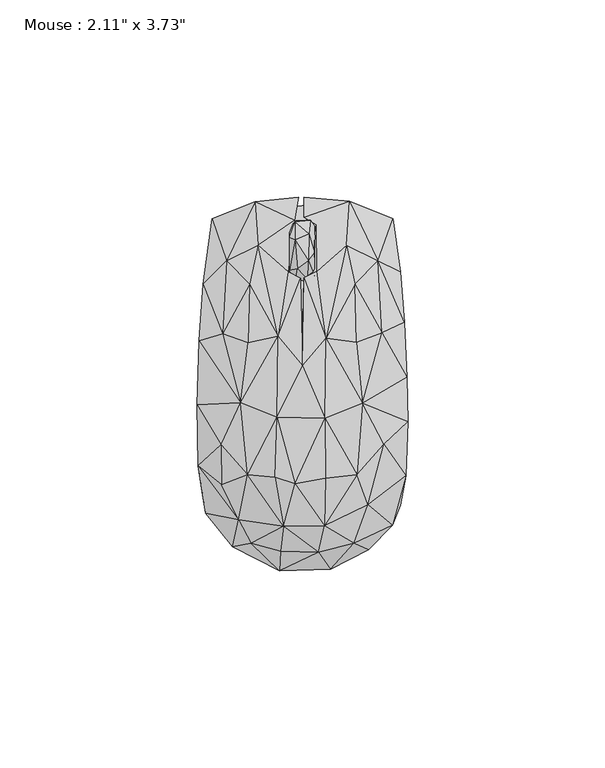
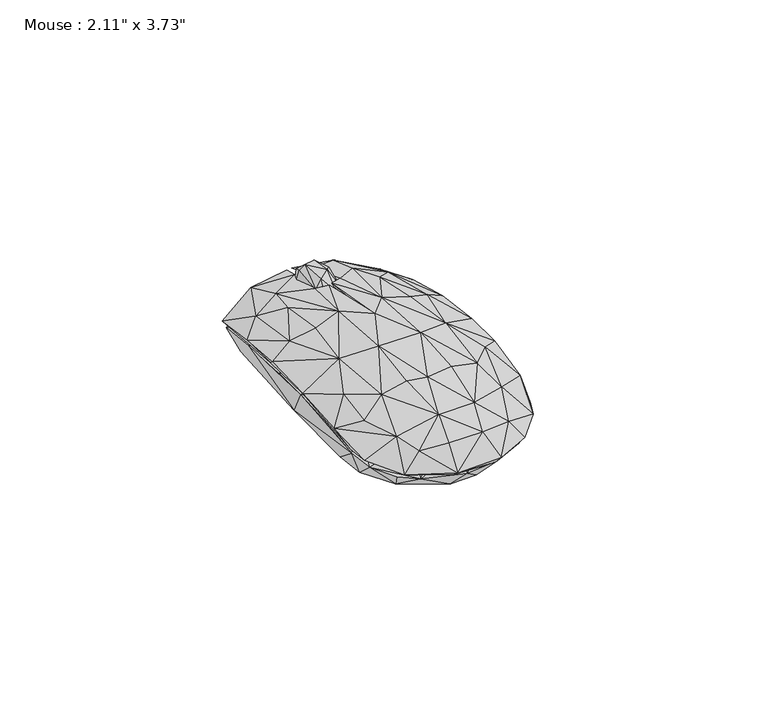
"""IFC4 building model written with IfcOpenShell, lengths in millimetres: furniture geometry."""

from ifc_helpers import new_model, si_unit, origin, place, context, project, spatial, triangles, source, transform, mapped, element, save


def furniture_37622110(model_context):
    return source(origin(), model_context, "Body", "Tessellation", [
        triangles([(-1.7870618, 25.5556985, 15.0905907), (1.4279084, 26.2556989, 17.1901639), (-1.2795767, 29.2699885, 20.2893071), (-3.1870619, 28.7699872, 18.0897343), (2.035393, 41.5199947, 14.9905912), (-1.7870625, 41.1199964, 16.5901631), (1.735393, 38.1057091, 19.6893074), (3.1353935, 27.4628427, 17.4901638), (1.5279082, 31.2771266, 21.0893059), (3.1353933, 33.2842761, 20.0893079), (-3.1870622, 37.2057073, 18.8897343), (-1.8870622, 36.5985587, 20.4893062), (1.5279084, 29.1699855, 6.1931613), (3.2353934, 31.9842782, 6.2931615), (3.0353937, 27.1628428, 9.1923049), (-1.6870618, 26.455698, 8.992304), (-1.687062, 31.4771303, 5.2931618), (-0.0795771, 35.0985594, 5.0931615), (-3.087062, 33.6914164, 6.1931613), (2.235393, 37.705704, 6.3931616), (3.2353931, 39.919997, 12.4914477), (-3.1870619, 26.8556986, 10.3918768), (-3.0870623, 40.0199955, 11.4914475), (-1.6870625, 39.21285, 7.4927334), (1.9353928, 41.1199964, 10.091877), (-1.5870626, 41.4199963, 11.7914485), (2.0353937, 25.4556978, 12.9914479)], [[1, 2, 3], [1, 3, 4], [5, 6, 7], [2, 8, 9], [2, 9, 3], [8, 10, 9], [6, 11, 12], [6, 12, 7], [4, 12, 11], [4, 3, 12], [3, 9, 12], [9, 7, 12], [9, 10, 7], [13, 14, 15], [13, 16, 17], [13, 17, 18], [13, 18, 14], [13, 15, 16], [17, 19, 18], [17, 16, 19], [14, 18, 20], [14, 20, 21], [14, 21, 10], [14, 10, 15], [19, 16, 22], [19, 23, 24], [19, 24, 18], [19, 22, 4], [19, 4, 23], [18, 24, 20], [20, 25, 21], [20, 24, 25], [24, 23, 26], [24, 26, 25], [16, 15, 27], [16, 27, 1], [16, 1, 22], [15, 8, 27], [15, 10, 8], [22, 1, 4], [25, 26, 5], [25, 5, 21], [27, 8, 2], [27, 2, 1], [23, 4, 11], [23, 11, 6], [23, 6, 26], [26, 6, 5], [21, 5, 7], [21, 7, 10]]),
        triangles([(-11.1957862, 35.19296, 15.7576683), (-6.152771, 12.0434873, 22.6493329), (-3.652772, 28.4764686, 18.7493336), (-2.0097595, 41.5259446, 14.4576693), (11.1762675, 35.19296, 15.7576683), (3.6332539, 40.4094521, 14.55767), (3.7332549, 28.5764716, 19.3493345), (6.0332556, 11.6269963, 22.7493336), (-4.7527688, -36.0049335, 19.4493352), (5.6332584, -35.9049328, 19.3493345), (-1.8097559, -25.2719494, 23.3493333), (-6.9527693, -23.6719517, 22.949335), (-13.8957827, -22.9554597, 20.8493338), (5.8332576, -23.8719509, 23.0493335), (13.8762708, -22.9554597, 20.8493338), (-6.3527702, -8.4224771, 24.3493336), (5.7332569, -8.6224769, 24.4493343), (3.5332577, -25.7719507, 21.6493349), (-5.7527693, -23.4554587, 21.849334), (4.6332573, -15.1389674, 23.0493335), (13.7762701, -22.6554599, 19.6493343), (-15.6387983, -4.7059869, 21.5493319), (-13.7957831, -22.6554599, 19.6493343), (-6.0527703, -8.3224776, 23.1493342), (-13.8957838, -5.7059869, 21.0493329), (13.8762697, -5.605985, 21.0493329), (15.2192813, -4.9059846, 21.7493333), (-0.1097576, 6.1269965, 22.7493336), (6.0332561, -1.3059853, 23.0493335), (0.0902426, 4.6105053, 24.1493345), (-6.152771, 11.5269967, 21.4493335), (-13.7957842, 10.4269957, 21.0493329), (-15.0387986, 9.6269957, 19.3493345), (5.9332549, 16.0434884, 20.7493353), (15.5192801, 11.1269984, 18.9493339), (13.7762678, 10.5269976, 21.0493329), (0.3902414, 26.8764709, 19.9493342), (-0.4097586, 26.7764702, 19.6493343), (-6.1527682, -46.2214247, 7.5660052), (-17.7387951, -41.3049325, 8.5660049), (-10.6957816, -40.104933, 13.066005), (0.1902449, -42.7214249, 13.3576705), (5.4332581, -46.4214216, 7.4660045), (-5.7527682, -47.3214257, 8.5660049), (7.1332583, -46.9214229, 8.5660049), (4.1332586, -42.6214219, 14.9576694), (-5.5527685, -42.421425, 14.8576698), (-12.995782, -40.3049345, 13.6576693), (12.8762716, -39.5049333, 12.5660049), (16.8192836, -42.0214222, 8.4660053), (5.7332586, -41.104931, 14.257669), (13.0762719, -40.3049345, 13.6576693), (15.9192829, -33.7884422, 14.6576695), (24.8622997, -30.6884407, 9.4660045), (22.8622991, -35.8049343, 9.7660055), (-16.1387962, -34.3884419, 15.6576687), (-24.4818087, -32.7884397, 10.2660056), (-25.3818083, -27.2719523, 10.5660043), (-15.8387963, -33.7884422, 14.55767), (-5.5527685, -35.3884399, 18.1576682), (4.733258, -35.3884399, 18.2576701), (16.6192822, -30.58844, 17.1576702), (26.2622982, -23.2554573, 12.8660047), (-26.3818086, -20.75546, 13.4576701), (20.1192843, -25.67195, 15.5576691), (-26.6818107, -5.3059874, 14.9576694), (-20.438796, -23.3554626, 15.8576701), (26.5622958, 1.7105066, 15.0576701), (26.762295, -9.6224766, 15.0576701), (20.4192819, -14.438967, 17.5576697), (20.7192795, -15.2389681, 18.6576695), (-25.1818137, 25.2764663, 12.266005), (-26.1818117, 11.0269954, 14.6576695), (-20.2387992, 12.7434866, 17.8576684), (-19.2387989, 31.1929588, 14.0576698), (-22.8818133, 41.8259444, 7.3660049), (-25.7818111, 12.7434866, 13.1576691), (24.8622951, 28.4764709, 11.466005), (25.9622961, 15.643489, 13.9576703), (22.9622953, 41.8259444, 7.3660049), (19.2192802, 31.1929611, 14.0576698), (20.619281, -1.5059848, 17.8576684), (19.0192799, 30.1929631, 13.0576695), (-11.9957874, 46.2259439, 11.166004), (-15.7387979, 44.2259433, 9.2660047), (-19.5387987, 22.3599769, 14.9576694), (-1.0097597, 47.3259449, 11.9660052), (-11.2957858, 34.7929594, 14.55767), (-13.1957845, 24.8764703, 16.95767), (0.4902402, 47.3259449, 12.0660047), (0.4902404, 42.3259457, 14.1576694), (11.9762675, 46.3259423, 11.166004), (11.576267, 45.5259412, 10.2660056), (11.3762678, 34.7929594, 14.55767), (-20.438796, -25.5719516, 16.7576685), (-20.6387975, -15.4389695, 18.6576695), (-20.781812, -6.8224783, 17.8576684), (20.2192805, 13.0434887, 17.8576684), (-13.3957848, 25.2764686, 18.1576682), (13.3762684, 25.2764686, 18.1576682), (0.8902412, 26.476468, 18.7576691), (13.2762688, 24.8764703, 16.95767), (-3.7388584, -39.9733413, 0.003408), (3.991627, -39.7733399, 0.003408), (-2.1388581, -45.7733416, 6.3030804), (-13.6998315, -42.3733447, 6.6030796), (-15.5998313, -33.0558834, 0.003408), (15.6525988, -33.0558834, 0.003408), (7.0221141, -44.973345, 6.4030799), (-20.9303154, -24.0209652, 0.003408), (20.8830844, -24.1209614, 0.003408), (-23.2303158, -33.0558834, 7.8030802), (-18.7998302, -38.9558843, 6.9030801), (15.6525988, -41.2733392, 6.7030804), (23.5830854, -32.5384209, 7.9030804), (-21.9303179, -15.9035044, 0.203408), (-21.6303181, 7.666338, 0.003408), (-25.1303156, -27.4384233, 9.3030801), (21.9830854, -20.2209587, 0.603408), (21.4830841, 9.3663399, 0.003408), (25.4830853, -24.6209604, 10.1030806), (-26.1303182, -3.3685838, 13.102751), (-24.330319, 26.218719, 9.8030796), (-20.3303202, 36.9361789, 0.003408), (7.2221092, 38.3361774, 0.003408), (20.3830831, 36.9361789, 0.003408), (22.2830807, 40.8536382, 5.6034081), (24.2830813, 27.2187238, 9.6030794), (25.483083, 12.3663396, 12.1027519), (-22.2303223, 40.9536412, 5.6034081), (-5.5388624, 38.4361759, 0.003408), (-10.5693494, 44.8536394, 9.2030799), (7.0221095, 45.4536391, 9.8030796), (17.1525958, 43.1536387, 7.6030799), (-18.699834, 30.1187216, 11.9027516), (18.7525958, 30.1187239, 11.9027516), (-3.2388586, -41.9733419, 11.7027513), (-5.8388588, -37.3558844, 15.4027515), (-13.0693444, -35.3558838, 13.9027522), (5.2916277, -41.5733436, 11.802752), (19.1525987, -33.6558808, 10.9030795), (13.0525997, -35.3558838, 13.9027522), (-20.3303179, -22.8209635, 14.6027515), (19.9830849, -22.2209592, 15.002752), (-26.0303198, -14.8035023, 12.3027522), (26.0830827, -11.9860405, 12.602752), (-25.7303199, 8.2663372, 12.602752), (-19.7303182, 12.6663383, 15.6027517), (-8.8693481, 36.2361784, 13.2027506), (0.8916237, 34.5361755, 14.9027513), (12.8221098, 29.7187211, 14.3027516), (6.2916235, 33.1361769, 14.9027513), (1.6916273, -35.7558844, 17.0024244), (6.7221136, -33.7558838, 17.2024236), (-6.2388594, -29.2384224, 19.002425), (-13.4998323, -26.2209626, 17.6024253), (13.5525987, -26.2209626, 17.6024253), (-20.2303195, -9.8860426, 16.80275), (-13.6998326, -14.3035022, 19.6024259), (20.5830846, -5.7685818, 16.7027527), (13.7525978, -14.303501, 19.6024259), (-16.1998333, -0.8685835, 18.6024256), (19.8830841, 9.5663401, 16.0027523), (13.7525978, -2.168582, 19.802425), (-13.0693478, 24.60126, 15.802752), (-13.4998335, 10.1663376, 18.6024256), (13.5525964, 10.1663399, 18.6024256), (-6.1388621, 24.3012601, 17.5024257), (6.7221108, 16.3837974, 19.3024237), (1.6916246, 15.1837968, 20.0024242), (1.6916268, -24.6209626, 20.802423), (6.9221128, -22.9209619, 20.5024232), (-6.2388594, -17.6035017, 21.402425), (6.4916255, -12.0860412, 21.8024256), (1.1916259, -8.8860412, 22.4024253), (-6.0388597, -5.4685831, 22.0024247), (6.9221117, -0.6685822, 21.5024234), (1.6916252, 4.2488799, 21.7024226), (-6.138861, 7.666338, 20.802423)], [[1, 2, 3], [1, 3, 4], [5, 6, 7], [5, 7, 8], [9, 10, 11], [9, 12, 13], [9, 11, 12], [10, 14, 11], [10, 15, 14], [12, 11, 16], [12, 16, 13], [11, 14, 17], [11, 17, 16], [18, 19, 20], [18, 20, 21], [14, 15, 17], [13, 16, 22], [23, 24, 19], [23, 25, 24], [19, 24, 20], [21, 20, 26], [15, 27, 17], [20, 24, 28], [20, 29, 26], [20, 28, 29], [16, 17, 30], [16, 30, 2], [16, 2, 22], [24, 25, 31], [24, 31, 28], [17, 27, 8], [17, 8, 30], [22, 2, 32], [25, 33, 31], [29, 28, 34], [29, 35, 26], [29, 34, 35], [27, 36, 8], [30, 8, 37], [30, 38, 2], [30, 28, 38], [30, 37, 28], [31, 3, 38], [31, 38, 28], [8, 7, 37], [2, 38, 3], [39, 40, 41], [39, 41, 42], [39, 42, 43], [39, 44, 40], [39, 43, 44], [44, 45, 46], [44, 47, 48], [44, 46, 47], [44, 48, 40], [44, 43, 45], [43, 49, 50], [43, 42, 51], [43, 51, 49], [43, 50, 45], [45, 50, 52], [45, 52, 46], [50, 49, 53], [50, 53, 54], [50, 54, 55], [50, 55, 52], [40, 48, 56], [40, 56, 57], [40, 58, 59], [40, 59, 41], [40, 57, 58], [41, 59, 60], [41, 60, 42], [49, 51, 61], [49, 61, 53], [55, 62, 52], [55, 63, 62], [55, 54, 63], [57, 56, 64], [57, 64, 58], [54, 53, 65], [54, 65, 63], [58, 64, 66], [58, 67, 59], [58, 66, 67], [63, 68, 69], [63, 65, 70], [63, 70, 68], [63, 71, 62], [63, 69, 71], [72, 73, 74], [72, 74, 75], [72, 75, 76], [72, 76, 77], [72, 77, 73], [78, 79, 68], [78, 80, 81], [78, 81, 79], [78, 82, 35], [78, 68, 82], [78, 83, 80], [78, 35, 83], [76, 84, 85], [76, 75, 84], [76, 85, 86], [76, 86, 77], [85, 84, 87], [85, 87, 88], [85, 89, 86], [85, 88, 89], [84, 75, 1], [84, 1, 4], [84, 4, 87], [87, 4, 88], [90, 91, 92], [90, 93, 91], [90, 92, 93], [93, 80, 83], [93, 94, 6], [93, 83, 94], [93, 6, 91], [93, 92, 80], [92, 5, 81], [92, 81, 80], [92, 6, 5], [92, 91, 6], [47, 9, 48], [47, 46, 9], [42, 60, 61], [42, 61, 51], [46, 52, 10], [46, 10, 9], [48, 9, 56], [52, 62, 10], [56, 9, 13], [56, 13, 95], [56, 95, 64], [59, 67, 23], [59, 23, 60], [60, 18, 61], [60, 23, 19], [60, 19, 18], [61, 18, 21], [61, 21, 53], [53, 21, 65], [62, 71, 15], [62, 15, 10], [95, 96, 64], [95, 13, 96], [65, 21, 70], [64, 96, 66], [67, 97, 23], [67, 66, 97], [96, 13, 22], [96, 22, 66], [70, 82, 68], [70, 21, 26], [70, 26, 82], [71, 69, 27], [71, 27, 15], [97, 66, 77], [97, 77, 33], [97, 25, 23], [97, 33, 25], [69, 68, 27], [66, 73, 77], [66, 22, 73], [82, 26, 35], [68, 98, 27], [68, 79, 98], [73, 22, 74], [77, 86, 33], [74, 99, 75], [74, 22, 32], [74, 32, 99], [98, 79, 81], [98, 100, 36], [98, 81, 100], [98, 36, 27], [86, 89, 33], [99, 1, 75], [99, 32, 2], [99, 2, 1], [89, 88, 31], [89, 31, 33], [101, 37, 7], [101, 94, 34], [101, 6, 94], [101, 34, 28], [101, 28, 37], [101, 7, 6], [102, 94, 83], [102, 83, 35], [102, 35, 34], [102, 34, 94], [100, 5, 8], [100, 81, 5], [100, 8, 36], [88, 4, 3], [88, 3, 31], [103, 104, 105], [103, 105, 106], [103, 107, 104], [103, 106, 107], [104, 107, 108], [104, 109, 105], [104, 108, 109], [107, 110, 111], [107, 111, 108], [107, 112, 110], [107, 113, 112], [107, 106, 113], [108, 114, 109], [108, 111, 115], [108, 115, 114], [110, 116, 117], [110, 117, 111], [110, 112, 118], [110, 118, 116], [111, 119, 115], [111, 117, 120], [111, 120, 119], [119, 120, 121], [119, 121, 115], [116, 118, 117], [117, 118, 122], [117, 123, 124], [117, 122, 123], [117, 124, 120], [120, 124, 125], [120, 125, 126], [120, 126, 127], [120, 127, 128], [120, 128, 129], [120, 129, 121], [124, 130, 131], [124, 131, 125], [124, 123, 130], [131, 130, 132], [131, 132, 125], [125, 132, 133], [125, 133, 134], [125, 134, 126], [126, 134, 127], [130, 123, 135], [130, 135, 132], [127, 134, 136], [127, 136, 128], [106, 137, 138], [106, 112, 113], [106, 105, 137], [106, 139, 112], [106, 138, 139], [105, 109, 140], [105, 140, 137], [109, 114, 140], [114, 141, 142], [114, 115, 141], [114, 142, 140], [112, 139, 143], [112, 143, 118], [141, 115, 121], [141, 121, 144], [141, 144, 142], [118, 145, 122], [118, 143, 145], [121, 129, 146], [121, 146, 144], [123, 147, 148], [123, 148, 135], [123, 122, 147], [128, 136, 129], [132, 135, 149], [132, 149, 150], [132, 150, 133], [133, 151, 134], [133, 150, 152], [133, 152, 151], [134, 151, 136], [137, 140, 153], [137, 153, 138], [140, 142, 154], [140, 154, 153], [139, 138, 155], [139, 155, 156], [139, 156, 143], [138, 153, 155], [142, 144, 157], [142, 157, 154], [143, 158, 145], [143, 156, 159], [143, 159, 158], [144, 146, 160], [144, 160, 161], [144, 161, 157], [145, 158, 122], [158, 159, 162], [158, 162, 122], [146, 129, 160], [122, 162, 147], [160, 163, 164], [160, 129, 163], [160, 164, 161], [147, 162, 148], [148, 165, 135], [148, 162, 166], [148, 166, 165], [163, 129, 136], [163, 151, 167], [163, 136, 151], [163, 167, 164], [165, 149, 135], [165, 166, 168], [165, 168, 149], [151, 152, 169], [151, 169, 167], [149, 168, 150], [150, 170, 152], [150, 168, 170], [152, 170, 169], [153, 154, 171], [153, 171, 155], [154, 172, 171], [154, 157, 172], [155, 171, 173], [155, 173, 156], [156, 173, 159], [171, 172, 174], [171, 175, 173], [171, 174, 175], [172, 157, 161], [172, 161, 174], [159, 173, 176], [159, 176, 162], [173, 175, 176], [161, 177, 174], [161, 164, 177], [175, 174, 177], [175, 177, 178], [175, 178, 176], [162, 176, 179], [162, 179, 166], [176, 178, 179], [177, 164, 167], [177, 167, 169], [177, 170, 178], [177, 169, 170], [178, 170, 179], [166, 179, 168], [179, 170, 168]]),
    ])


if __name__ == "__main__":
    model = new_model("IFC4")
    model_context = context("Model", 3, world=origin())
    ifc_project = project(units=[si_unit("LENGTHUNIT", "METRE", prefix="MILLI")], contexts=[model_context])
    site = spatial("IfcSite", under=ifc_project)
    building = spatial("IfcBuilding", under=site)
    placement = place(None, origin())
    furniture_shape = furniture_37622110(model_context)
    element("IfcFurniture", 1, ObjectType="Mouse : 2.11\" x 3.73\"", at=placement, inside=building, context=model_context, shape_type="MappedRepresentation", body=[
        mapped(furniture_shape, transform((0.0, 0.0, 0.0), x_axis=(1.0, 0.0, 0.0), y_axis=(0.0, 1.0, 0.0), z_axis=(0.0, 0.0, 1.0))),
    ])
    save(model, "model.ifc")
